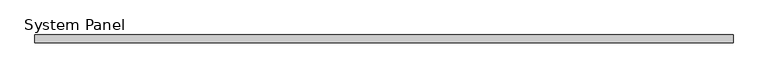
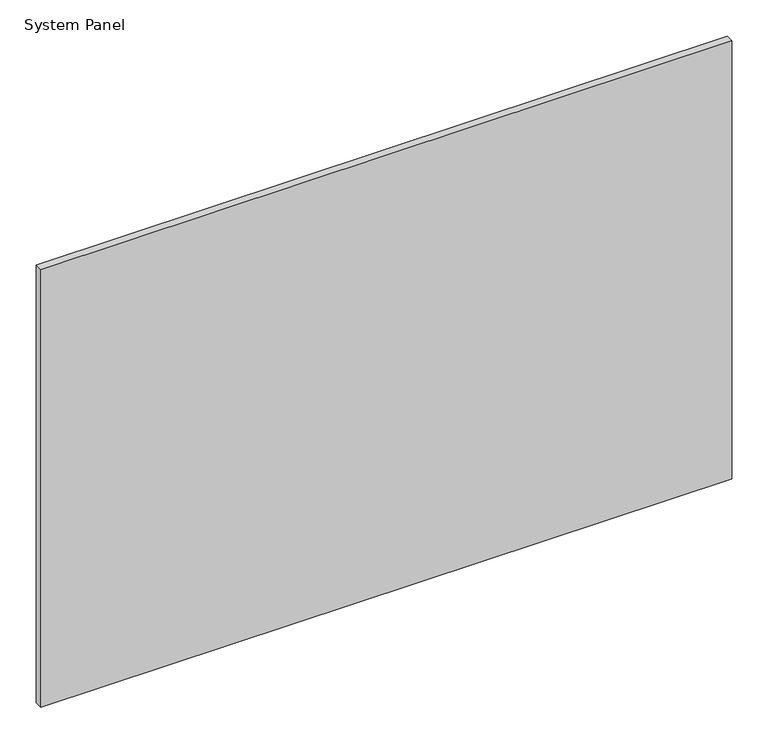
"""IFC4 building model written with IfcOpenShell, lengths in millimetres: plate geometry, System Panel."""

from ifc_helpers import new_model, si_unit, origin, origin_with_axes, place, context, project, spatial, polyline, outline, extrude, source, transform, mapped, element, save


def system_panel_71ef2cf8(model_context):
    return source(origin(), model_context, "Body", "SweptSolid", [
        extrude(outline(polyline([(547.5446875, -6.0), (-547.5446875, -6.0), (-547.5446875, 6.0), (547.5446875, 6.0), (547.5446875, -6.0)])), origin_with_axes(), (0.0, 0.0, 1.0), 734.5590798),
    ])


if __name__ == "__main__":
    model = new_model("IFC4")
    model_context = context("Model", 3, world=origin())
    ifc_project = project(units=[si_unit("LENGTHUNIT", "METRE", prefix="MILLI")], contexts=[model_context])
    site = spatial("IfcSite", under=ifc_project)
    building = spatial("IfcBuilding", under=site)
    placement = place(None, origin())
    system_panel_shape = system_panel_71ef2cf8(model_context)
    element("IfcPlate", 1, ObjectType="System Panel", at=placement, inside=building, context=model_context, shape_type="MappedRepresentation", body=[
        mapped(system_panel_shape, transform((0.0, 0.0, 0.0), x_axis=(1.0, 0.0, 0.0), y_axis=(0.0, 1.0, 0.0), z_axis=(0.0, 0.0, 1.0))),
    ])
    save(model, "model.ifc")
